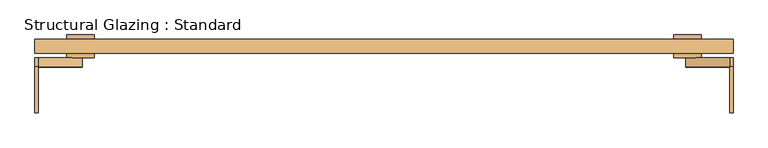
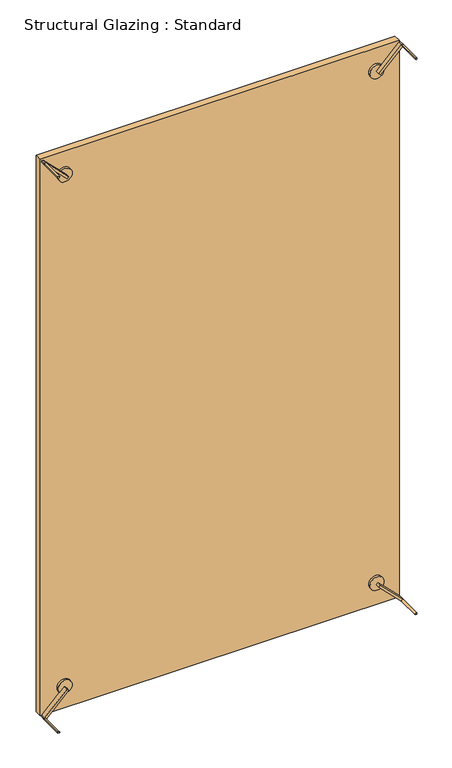
"""IFC4 building model written with IfcOpenShell, lengths in millimetres: door geometry, Structural Glazing : Standard."""

from ifc_helpers import new_model, si_unit, point, frame, frame_2d, origin, origin_with_axes, place, context, project, spatial, polyline, circle_curve, trimmed, segment, composite_curve, outline, extrude, source, transform, mapped, element, save


def structural_glazing_standard_245387be(model_context):
    return source(origin(), model_context, "Body", "SweptSolid", [
        extrude(outline(composite_curve([segment(trimmed(circle_curve(frame_2d((100.0, 663.5223146)), 30.0), [point((100.0, 633.5223146))], [point((100.0, 693.5223146))], False, "CARTESIAN"), True, "CONTINUOUS"), segment(trimmed(circle_curve(frame_2d((100.0, 663.5223146)), 30.0), [point((100.0, 693.5223146))], [point((100.0, 633.5223146))], False, "CARTESIAN"), True, "CONTINUOUS")], self_intersect=False)), frame((0.0, -38.9615014, 0.0), z_axis=(0.0, 1.0, 0.0), x_axis=(0.0, 0.0, 1.0)), (0.0, 0.0, 1.0), 10.0),
        extrude(outline(composite_curve([segment(trimmed(circle_curve(frame_2d((100.0, -663.5223146)), 30.0), [point((100.0, -693.5223146))], [point((100.0, -633.5223146))], False, "CARTESIAN"), True, "CONTINUOUS"), segment(trimmed(circle_curve(frame_2d((100.0, -663.5223146)), 30.0), [point((100.0, -633.5223146))], [point((100.0, -693.5223146))], False, "CARTESIAN"), True, "CONTINUOUS")], self_intersect=False)), frame((0.0, -38.9615014, 0.0), z_axis=(0.0, 1.0, 0.0), x_axis=(0.0, 0.0, 1.0)), (0.0, 0.0, 1.0), 10.0),
        extrude(outline(composite_curve([segment(trimmed(circle_curve(frame_2d((2400.0, -663.5223146)), 30.0), [point((2400.0, -693.5223146))], [point((2400.0, -633.5223146))], False, "CARTESIAN"), True, "CONTINUOUS"), segment(trimmed(circle_curve(frame_2d((2400.0, -663.5223146)), 30.0), [point((2400.0, -633.5223146))], [point((2400.0, -693.5223146))], False, "CARTESIAN"), True, "CONTINUOUS")], self_intersect=False)), frame((0.0, -38.9615014, 0.0), z_axis=(0.0, 1.0, 0.0), x_axis=(0.0, 0.0, 1.0)), (0.0, 0.0, 1.0), 10.0),
        extrude(outline(composite_curve([segment(trimmed(circle_curve(frame_2d((2400.0, 663.5223146)), 30.0), [point((2400.0, 633.5223146))], [point((2400.0, 693.5223146))], False, "CARTESIAN"), True, "CONTINUOUS"), segment(trimmed(circle_curve(frame_2d((2400.0, 663.5223146)), 30.0), [point((2400.0, 693.5223146))], [point((2400.0, 633.5223146))], False, "CARTESIAN"), True, "CONTINUOUS")], self_intersect=False)), frame((0.0, -38.9615014, 0.0), z_axis=(0.0, 1.0, 0.0), x_axis=(0.0, 0.0, 1.0)), (0.0, 0.0, 1.0), 10.0),
        extrude(outline(composite_curve([segment(trimmed(circle_curve(frame_2d((100.0, -663.5223146)), 30.0), [point((100.0, -693.5223146))], [point((100.0, -633.5223146))], False, "CARTESIAN"), True, "CONTINUOUS"), segment(trimmed(circle_curve(frame_2d((100.0, -663.5223146)), 30.0), [point((100.0, -633.5223146))], [point((100.0, -693.5223146))], False, "CARTESIAN"), True, "CONTINUOUS")], self_intersect=False)), frame((0.0, 1.0384986, 0.0), z_axis=(0.0, 1.0, 0.0), x_axis=(0.0, 0.0, 1.0)), (0.0, 0.0, 1.0), 10.0),
        extrude(outline(composite_curve([segment(trimmed(circle_curve(frame_2d((100.0, 663.5223146)), 30.0), [point((100.0, 633.5223146))], [point((100.0, 693.5223146))], False, "CARTESIAN"), True, "CONTINUOUS"), segment(trimmed(circle_curve(frame_2d((100.0, 663.5223146)), 30.0), [point((100.0, 693.5223146))], [point((100.0, 633.5223146))], False, "CARTESIAN"), True, "CONTINUOUS")], self_intersect=False)), frame((0.0, 1.0384986, 0.0), z_axis=(0.0, 1.0, 0.0), x_axis=(0.0, 0.0, 1.0)), (0.0, 0.0, 1.0), 10.0),
        extrude(outline(composite_curve([segment(trimmed(circle_curve(frame_2d((2400.0, -663.5223146)), 30.0), [point((2400.0, -693.5223146))], [point((2400.0, -633.5223146))], False, "CARTESIAN"), True, "CONTINUOUS"), segment(trimmed(circle_curve(frame_2d((2400.0, -663.5223146)), 30.0), [point((2400.0, -633.5223146))], [point((2400.0, -693.5223146))], False, "CARTESIAN"), True, "CONTINUOUS")], self_intersect=False)), frame((0.0, 1.0384986, 0.0), z_axis=(0.0, 1.0, 0.0), x_axis=(0.0, 0.0, 1.0)), (0.0, 0.0, 1.0), 10.0),
        extrude(outline(composite_curve([segment(trimmed(circle_curve(frame_2d((2400.0, 663.5223146)), 30.0), [point((2400.0, 633.5223146))], [point((2400.0, 693.5223146))], False, "CARTESIAN"), True, "CONTINUOUS"), segment(trimmed(circle_curve(frame_2d((2400.0, 663.5223146)), 30.0), [point((2400.0, 693.5223146))], [point((2400.0, 633.5223146))], False, "CARTESIAN"), True, "CONTINUOUS")], self_intersect=False)), frame((0.0, 1.0384986, 0.0), z_axis=(0.0, 1.0, 0.0), x_axis=(0.0, 0.0, 1.0)), (0.0, 0.0, 1.0), 10.0),
        extrude(outline(polyline([(763.5223146, -28.9615014), (-763.5223146, -28.9615014), (-763.5223146, 1.0384986), (763.5223146, 1.0384986), (763.5223146, -28.9615014)])), origin_with_axes(), (0.0, 0.0, 1.0), 2500.0),
        extrude(outline(composite_curve([segment(polyline([(0.0, 763.5223146), (7.0710678, 763.5223146)]), True, "CONTINUOUS"), segment(trimmed(circle_curve(frame_2d((0.0, 763.5223146)), 7.0710678), [point((7.0710678, 763.5223146))], [point((0.0, 756.4512468))], False, "CARTESIAN"), True, "CONTINUOUS"), segment(polyline([(0.0, 756.4512468), (0.0, 763.5223146)]), True, "CONTINUOUS")], self_intersect=False)), frame((0.0, -158.9615014, 0.0), z_axis=(0.0, 1.0, 0.0), x_axis=(0.0, 0.0, 1.0)), (0.0, 0.0, 1.0), 100.0),
        extrude(outline(composite_curve([segment(polyline([(0.0, -763.5223146), (0.0, -756.4512468)]), True, "CONTINUOUS"), segment(trimmed(circle_curve(frame_2d((0.0, -763.5223146)), 7.0710678), [point((0.0, -756.4512468))], [point((7.0710678, -763.5223146))], False, "CARTESIAN"), True, "CONTINUOUS"), segment(polyline([(7.0710678, -763.5223146), (0.0, -763.5223146)]), True, "CONTINUOUS")], self_intersect=False)), frame((0.0, -158.9615014, 0.0), z_axis=(0.0, 1.0, 0.0), x_axis=(0.0, 0.0, 1.0)), (0.0, 0.0, 1.0), 100.0),
        extrude(outline(composite_curve([segment(polyline([(2500.0, 763.5223146), (2500.0, 756.4512468)]), True, "CONTINUOUS"), segment(trimmed(circle_curve(frame_2d((2500.0, 763.5223146)), 7.0710678), [point((2500.0, 756.4512468))], [point((2492.9289322, 763.5223146))], False, "CARTESIAN"), True, "CONTINUOUS"), segment(polyline([(2492.9289322, 763.5223146), (2500.0, 763.5223146)]), True, "CONTINUOUS")], self_intersect=False)), frame((0.0, -158.9615014, 0.0), z_axis=(0.0, 1.0, 0.0), x_axis=(0.0, 0.0, 1.0)), (0.0, 0.0, 1.0), 100.0),
        extrude(outline(composite_curve([segment(polyline([(2500.0, -756.4512468), (2500.0, -763.5223146), (2492.9289322, -763.5223146)]), True, "CONTINUOUS"), segment(trimmed(circle_curve(frame_2d((2500.0, -763.5223146)), 7.0710678), [point((2492.9289322, -763.5223146))], [point((2500.0, -756.4512468))], False, "CARTESIAN"), True, "CONTINUOUS")], self_intersect=False)), frame((0.0, -158.9615014, 0.0), z_axis=(0.0, 1.0, 0.0), x_axis=(0.0, 0.0, 1.0)), (0.0, 0.0, 1.0), 100.0),
        extrude(outline(polyline([(103.5355339, 667.0578485), (96.4644661, 659.9867807), (0.0, 756.4512468), (0.0, 763.5223146), (7.0710678, 763.5223146), (103.5355339, 667.0578485)])), frame((0.0, -58.9615014, 0.0), z_axis=(0.0, 1.0, 0.0), x_axis=(0.0, 0.0, 1.0)), (0.0, 0.0, 1.0), 20.0),
        extrude(outline(polyline([(0.0, -763.5223146), (0.0, -756.4512468), (96.4644661, -659.9867807), (103.5355339, -667.0578485), (7.0710678, -763.5223146), (0.0, -763.5223146)])), frame((0.0, -58.9615014, 0.0), z_axis=(0.0, 1.0, 0.0), x_axis=(0.0, 0.0, 1.0)), (0.0, 0.0, 1.0), 20.0),
        extrude(outline(polyline([(2500.0, -756.4512468), (2500.0, -763.5223146), (2492.9289322, -763.5223146), (2396.4644661, -667.0578485), (2403.5355339, -659.9867807), (2500.0, -756.4512468)])), frame((0.0, -58.9615014, 0.0), z_axis=(0.0, 1.0, 0.0), x_axis=(0.0, 0.0, 1.0)), (0.0, 0.0, 1.0), 20.0),
        extrude(outline(polyline([(2500.0, 756.4512468), (2403.5355339, 659.9867807), (2396.4644661, 667.0578485), (2492.9289322, 763.5223146), (2500.0, 763.5223146), (2500.0, 756.4512468)])), frame((0.0, -58.9615014, 0.0), z_axis=(0.0, 1.0, 0.0), x_axis=(0.0, 0.0, 1.0)), (0.0, 0.0, 1.0), 20.0),
    ])


if __name__ == "__main__":
    model = new_model("IFC4")
    model_context = context("Model", 3, world=origin())
    ifc_project = project(units=[si_unit("LENGTHUNIT", "METRE", prefix="MILLI")], contexts=[model_context])
    site = spatial("IfcSite", under=ifc_project)
    building = spatial("IfcBuilding", under=site)
    placement = place(None, origin())
    structural_glazing_standard_shape = structural_glazing_standard_245387be(model_context)
    element("IfcDoor", 1, ObjectType="Structural Glazing : Standard", at=placement, inside=building, context=model_context, shape_type="MappedRepresentation", body=[
        mapped(structural_glazing_standard_shape, transform((0.0, 0.0, 0.0), x_axis=(1.0, 0.0, 0.0), y_axis=(0.0, 1.0, 0.0), z_axis=(0.0, 0.0, 1.0))),
    ])
    save(model, "model.ifc")
